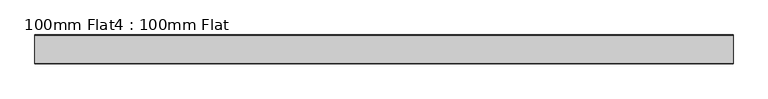
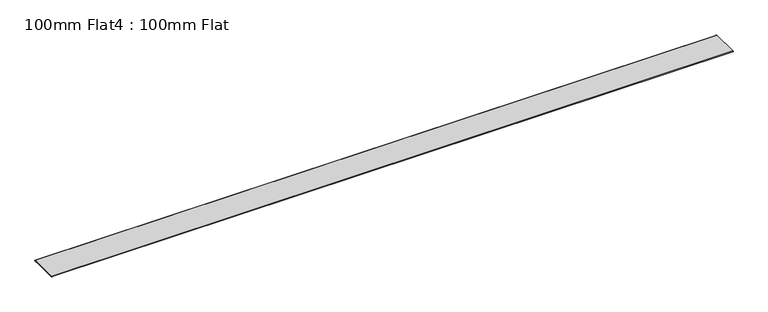
"""IFC4 building model written with IfcOpenShell, lengths in millimetres: proxy geometry, 100mm Flat4 : 100mm Flat."""

from ifc_helpers import new_model, si_unit, point, frame, frame_2d, origin, place, context, project, spatial, polyline, circle_curve, trimmed, segment, composite_curve, outline, extrude, source, transform, mapped, element, save


def proxy_100mm_flat4_100mm_flat_8d408bae(model_context):
    return source(origin(), model_context, "Body", "SweptSolid", [
        extrude(outline(composite_curve([segment(trimmed(circle_curve(frame_2d((-14830.3963238, 1527.3887136)), 1.0), [point((-14830.3963238, 1528.3887136))], [point((-14830.3963238, 1526.3887136))], False, "CARTESIAN"), True, "CONTINUOUS"), segment(polyline([(-14830.3963238, 1526.3887136), (-14838.4029516, 1526.3887136), (-14838.4029516, 1527.3887136), (-14919.3963238, 1527.3887136), (-14919.3963238, 1526.3887136), (-14928.4029516, 1526.3887136)]), True, "CONTINUOUS"), segment(trimmed(circle_curve(frame_2d((-14928.4029516, 1527.3887136)), 1.0), [point((-14928.4029516, 1526.3887136))], [point((-14928.4029516, 1528.3887136))], False, "CARTESIAN"), True, "CONTINUOUS"), segment(polyline([(-14928.4029516, 1528.3887136), (-14830.3963238, 1528.3887136)]), True, "CONTINUOUS")], self_intersect=False)), frame((1587.2209787, 0.0, 0.0), z_axis=(1.0, 0.0, 0.0), x_axis=(0.0, 1.0, 0.0)), (0.0, 0.0, 1.0), 2409.6850155),
    ])


if __name__ == "__main__":
    model = new_model("IFC4")
    model_context = context("Model", 3, world=origin())
    ifc_project = project(units=[si_unit("LENGTHUNIT", "METRE", prefix="MILLI")], contexts=[model_context])
    site = spatial("IfcSite", under=ifc_project)
    building = spatial("IfcBuilding", under=site)
    placement = place(None, origin())
    proxy_100mm_flat4_100mm_flat_shape = proxy_100mm_flat4_100mm_flat_8d408bae(model_context)
    element("IfcBuildingElementProxy", 1, Name="100mm Flat4 : 100mm Flat", ObjectType="100mm Flat4 : 100mm Flat", at=placement, inside=building, context=model_context, shape_type="MappedRepresentation", body=[
        mapped(proxy_100mm_flat4_100mm_flat_shape, transform((0.0, 0.0, 0.0), x_axis=(1.0, 0.0, 0.0), y_axis=(0.0, 1.0, 0.0), z_axis=(0.0, 0.0, 1.0))),
    ])
    save(model, "model.ifc")
